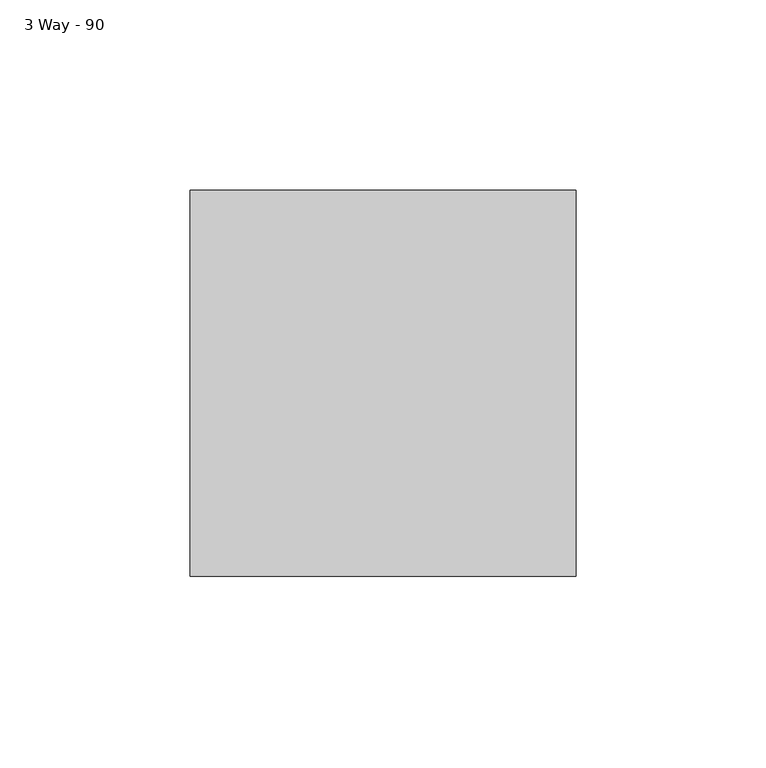
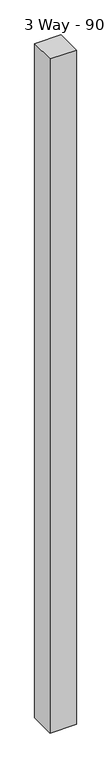
"""IFC4 building model written with IfcOpenShell, lengths in millimetres: furniture geometry, 3 Way - 90."""

from ifc_helpers import new_model, si_unit, origin, origin_with_axes, place, context, project, spatial, polyline, outline, extrude, source, transform, mapped, element, save


def furniture_3_way_90_0eb4309d(model_context):
    return source(origin(), model_context, "Body", "SweptSolid", [
        extrude(outline(polyline([(131.5771531, 27.1980295), (131.5771531, -74.4019705), (29.9771531, -74.4019705), (29.9771531, 27.1980295), (131.5771531, 27.1980295)])), origin_with_axes(), (0.0, 0.0, 1.0), 2743.2),
    ])


if __name__ == "__main__":
    model = new_model("IFC4")
    model_context = context("Model", 3, world=origin())
    ifc_project = project(units=[si_unit("LENGTHUNIT", "METRE", prefix="MILLI")], contexts=[model_context])
    site = spatial("IfcSite", under=ifc_project)
    building = spatial("IfcBuilding", under=site)
    placement = place(None, origin())
    furniture_3_way_90_shape = furniture_3_way_90_0eb4309d(model_context)
    element("IfcFurniture", 1, ObjectType="3 Way - 90", at=placement, inside=building, context=model_context, shape_type="MappedRepresentation", body=[
        mapped(furniture_3_way_90_shape, transform((0.0, 0.0, 0.0), x_axis=(1.0, 0.0, 0.0), y_axis=(0.0, 1.0, 0.0), z_axis=(0.0, 0.0, 1.0))),
    ])
    save(model, "model.ifc")
